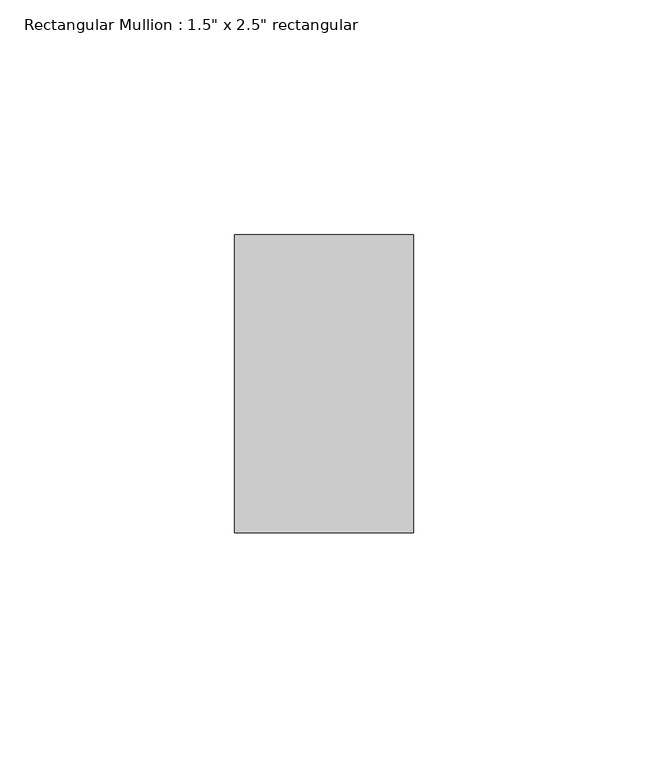
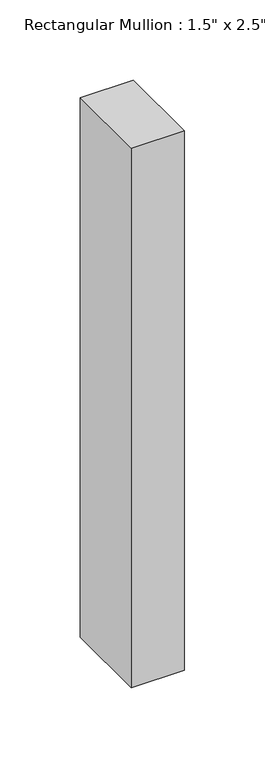
"""IFC4 building model written with IfcOpenShell, lengths in millimetres: member geometry."""

from ifc_helpers import new_model, si_unit, frame, origin, place, context, project, spatial, polyline, outline, extrude, source, transform, mapped, element, save


def member_e767efeb(model_context):
    return source(origin(), model_context, "Body", "SweptSolid", [
        extrude(outline(polyline([(0.0, 31.75), (0.0, -31.75), (-38.1, -31.75), (-38.1, 31.75), (0.0, 31.75)])), frame((0.0, 0.0, -410.0285714), z_axis=(0.0, 0.0, 1.0), x_axis=(1.0, 0.0, 0.0)), (0.0, 0.0, 1.0), 410.0285714),
    ])


if __name__ == "__main__":
    model = new_model("IFC4")
    model_context = context("Model", 3, world=origin())
    ifc_project = project(units=[si_unit("LENGTHUNIT", "METRE", prefix="MILLI")], contexts=[model_context])
    site = spatial("IfcSite", under=ifc_project)
    building = spatial("IfcBuilding", under=site)
    placement = place(None, origin())
    member_shape = member_e767efeb(model_context)
    element("IfcMember", 1, ObjectType="Rectangular Mullion : 1.5\" x 2.5\" rectangular", at=placement, inside=building, context=model_context, shape_type="MappedRepresentation", body=[
        mapped(member_shape, transform((0.0, 0.0, 0.0), x_axis=(1.0, 0.0, 0.0), y_axis=(0.0, 1.0, 0.0), z_axis=(0.0, 0.0, 1.0))),
    ])
    save(model, "model.ifc")
